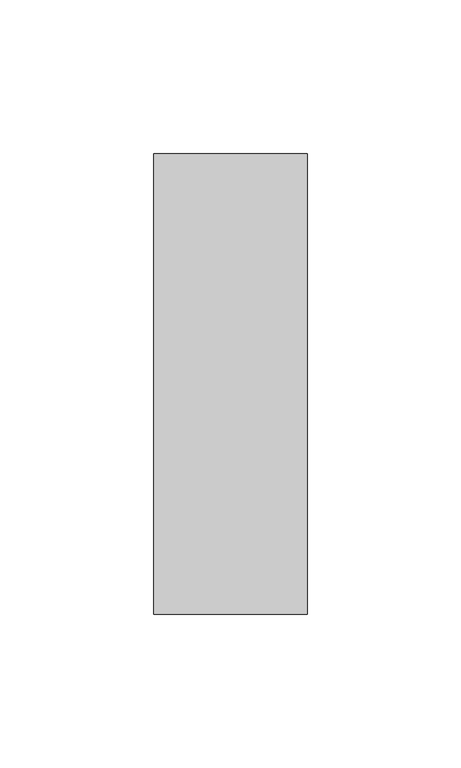
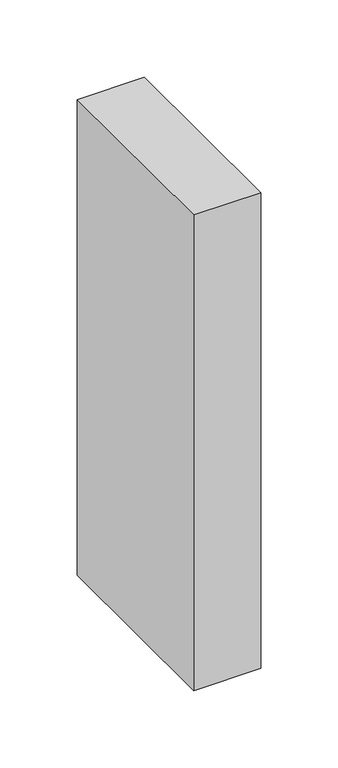
"""IFC4 building model written with IfcOpenShell, lengths in millimetres: member geometry."""

from ifc_helpers import new_model, si_unit, frame, origin, place, context, project, spatial, polyline, outline, extrude, source, transform, mapped, element, save


def member_66c8288a(model_context):
    return source(origin(), model_context, "Body", "SweptSolid", [
        extrude(outline(polyline([(0.0, 75.0), (0.0, -75.0), (-50.0, -75.0), (-50.0, 75.0), (0.0, 75.0)])), frame((0.0, 0.0, -375.0), z_axis=(0.0, 0.0, 1.0), x_axis=(1.0, 0.0, 0.0)), (0.0, 0.0, 1.0), 375.0),
    ])


if __name__ == "__main__":
    model = new_model("IFC4")
    model_context = context("Model", 3, world=origin())
    ifc_project = project(units=[si_unit("LENGTHUNIT", "METRE", prefix="MILLI")], contexts=[model_context])
    site = spatial("IfcSite", under=ifc_project)
    building = spatial("IfcBuilding", under=site)
    placement = place(None, origin())
    member_shape = member_66c8288a(model_context)
    element("IfcMember", 1, at=placement, inside=building, context=model_context, shape_type="MappedRepresentation", body=[
        mapped(member_shape, transform((0.0, 0.0, 0.0), x_axis=(1.0, 0.0, 0.0), y_axis=(0.0, 1.0, 0.0), z_axis=(0.0, 0.0, 1.0))),
    ])
    save(model, "model.ifc")
